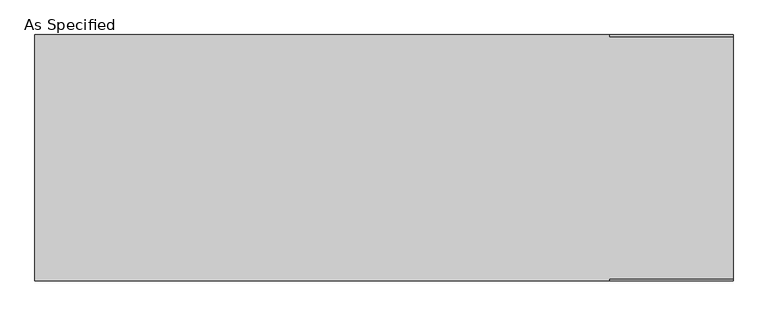
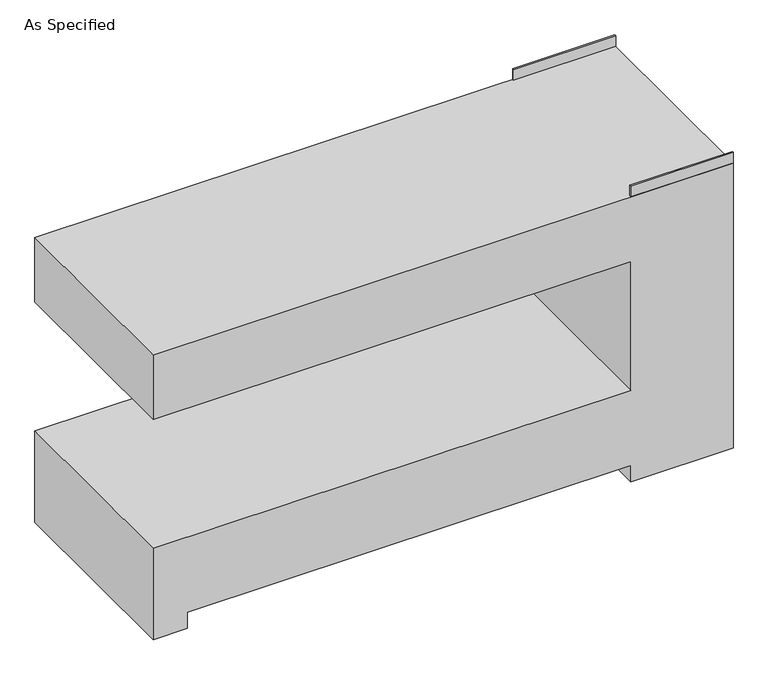
"""IFC4 building model written with IfcOpenShell, lengths in millimetres: proxy geometry, As Specified."""

from ifc_helpers import new_model, si_unit, frame, origin, place, context, project, spatial, polyline, outline, extrude, source, transform, mapped, element, save


def as_specified_57b9dc3d(model_context):
    return source(origin(), model_context, "Body", "SweptSolid", [
        extrude(outline(polyline([(838.2, 450.85), (838.2, 457.2), (1295.4, 457.2), (1295.4, 450.85), (838.2, 450.85)])), frame((0.0, 0.0, 1346.2), z_axis=(0.0, 0.0, 1.0), x_axis=(1.0, 0.0, 0.0)), (0.0, 0.0, 1.0), 50.8),
        extrude(outline(polyline([(838.2, -457.2), (838.2, -450.85), (1295.4, -450.85), (1295.4, -457.2), (838.2, -457.2)])), frame((0.0, 0.0, 1346.2), z_axis=(0.0, 0.0, 1.0), x_axis=(1.0, 0.0, 0.0)), (0.0, 0.0, 1.0), 50.8),
        extrude(outline(polyline([(1346.2, 1295.4), (1346.2, -1295.4), (1041.4, -1295.4), (1041.4, 838.2), (431.8, 838.2), (431.8, -1295.4), (0.0, -1295.4), (0.0, -1143.0), (76.2, -1143.0), (76.2, 838.2), (0.0, 838.2), (0.0, 1295.4), (1346.2, 1295.4)])), frame((0.0, -457.2, 0.0), z_axis=(0.0, 1.0, 0.0), x_axis=(0.0, 0.0, 1.0)), (0.0, 0.0, 1.0), 914.4),
    ])


if __name__ == "__main__":
    model = new_model("IFC4")
    model_context = context("Model", 3, world=origin())
    ifc_project = project(units=[si_unit("LENGTHUNIT", "METRE", prefix="MILLI")], contexts=[model_context])
    site = spatial("IfcSite", under=ifc_project)
    building = spatial("IfcBuilding", under=site)
    placement = place(None, origin())
    as_specified_shape = as_specified_57b9dc3d(model_context)
    element("IfcBuildingElementProxy", 1, Name="As Specified", ObjectType="As Specified", at=placement, inside=building, context=model_context, shape_type="MappedRepresentation", body=[
        mapped(as_specified_shape, transform((0.0, 0.0, 0.0), x_axis=(1.0, 0.0, 0.0), y_axis=(0.0, 1.0, 0.0), z_axis=(0.0, 0.0, 1.0))),
    ])
    save(model, "model.ifc")
